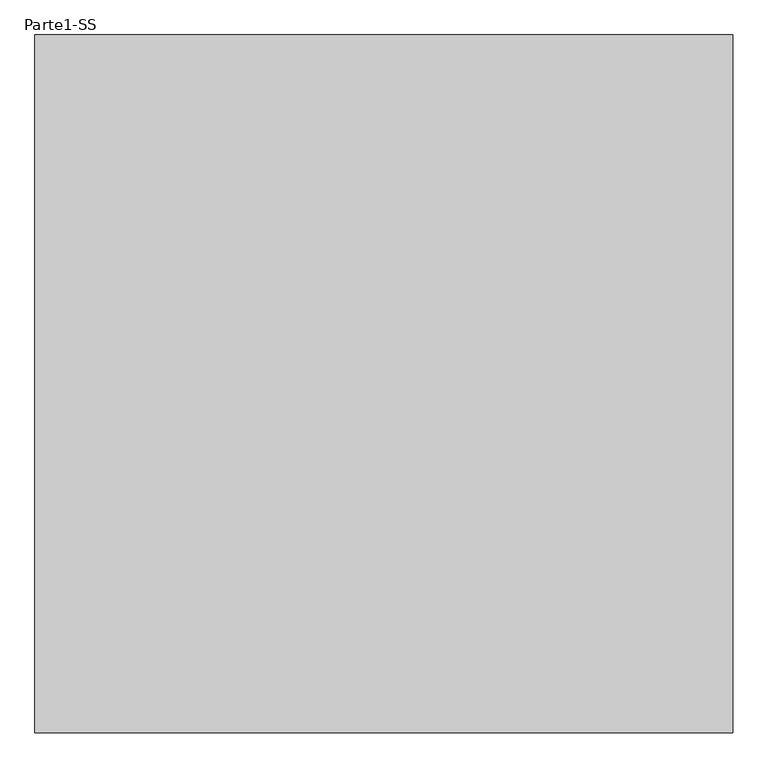
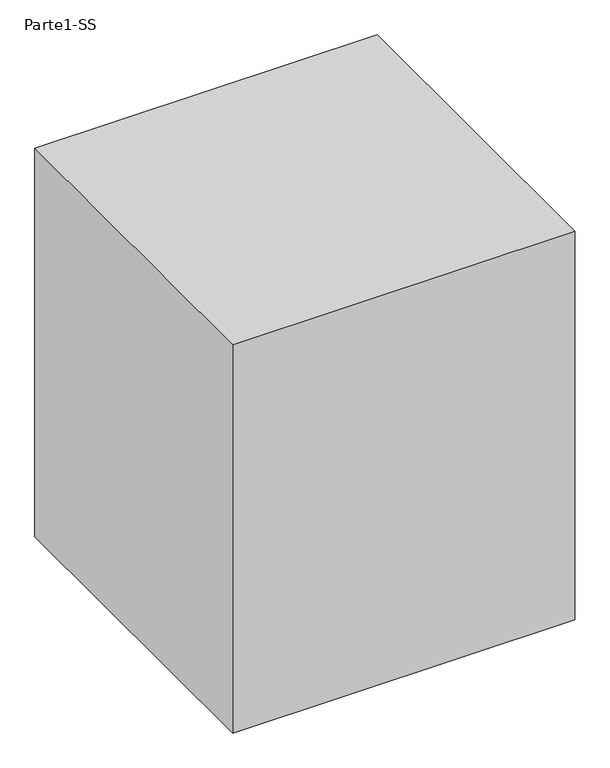
"""IFC4 building model written with IfcOpenShell, lengths in millimetres: proxy geometry, Parte1-SS."""

from ifc_helpers import new_model, si_unit, frame, origin, place, context, project, spatial, polyline, outline, extrude, source, transform, mapped, element, save


def parte1_ss_a8fd73c7(model_context):
    return source(origin(), model_context, "Body", "SweptSolid", [
        extrude(outline(polyline([(10000.0, 10000.0), (10000.0, 0.0), (0.0, 0.0), (0.0, 10000.0), (10000.0, 10000.0)])), frame((0.0, 0.0, 10000.0), z_axis=(0.0, 0.0, 1.0), x_axis=(1.0, 0.0, 0.0)), (0.0, 0.0, 1.0), 12000.0),
    ])


if __name__ == "__main__":
    model = new_model("IFC4")
    model_context = context("Model", 3, world=origin())
    ifc_project = project(units=[si_unit("LENGTHUNIT", "METRE", prefix="MILLI")], contexts=[model_context])
    site = spatial("IfcSite", under=ifc_project)
    building = spatial("IfcBuilding", under=site)
    placement = place(None, origin())
    parte1_ss_shape = parte1_ss_a8fd73c7(model_context)
    element("IfcBuildingElementProxy", 1, Name="Parte1-SS", ObjectType="Parte1-SS", at=placement, inside=building, context=model_context, shape_type="MappedRepresentation", body=[
        mapped(parte1_ss_shape, transform((0.0, 0.0, 0.0), x_axis=(1.0, 0.0, 0.0), y_axis=(0.0, 1.0, 0.0), z_axis=(0.0, 0.0, 1.0))),
    ])
    save(model, "model.ifc")
